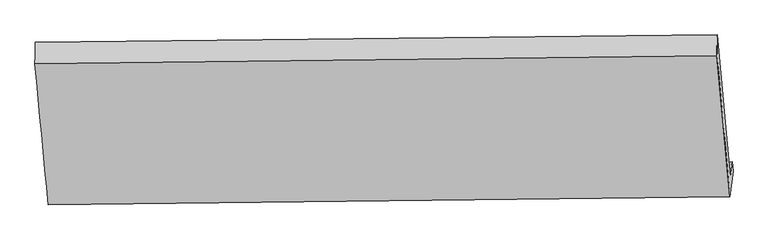
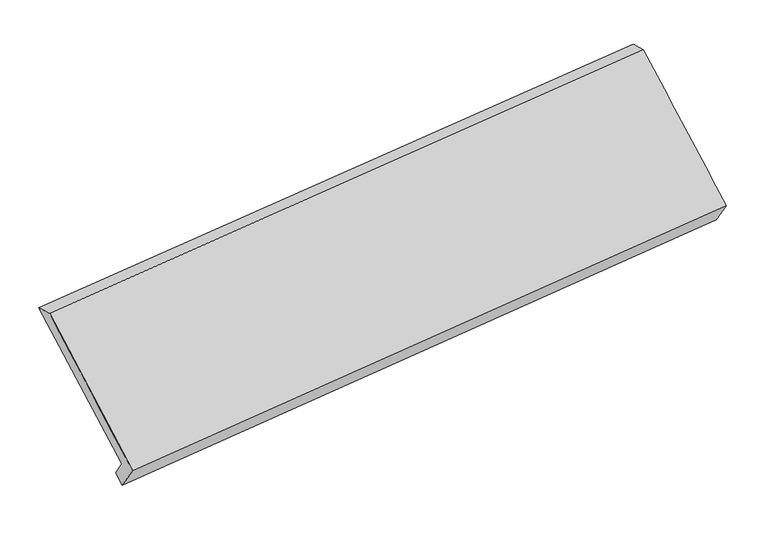
"""IFC4 building model written with IfcOpenShell, lengths in millimetres: proxy geometry."""

from ifc_helpers import new_model, si_unit, frame, origin, place, context, project, spatial, source, transform, mapped, element, save
from ifc_brep_helpers import plane_surface, spline_surface, advanced_brep


def generic_models_b34ae50f(model_context):
    return source(origin(), model_context, "Body", "AdvancedBrep", [
        advanced_brep(
        [(-5320.9591353, -1733.2699128, 1284.7710385), (-5335.1375744, -1849.5778942, 1436.3002828), (-332.8486439, -1802.0107473, 1982.2031695), (-319.2875149, -1690.7666596, 1837.2713055), (-5313.2515591, -1816.1853751, 1221.8495299), (-312.8560609, -1760.5482964, 1784.3114075), (-5336.5132897, -2007.0050338, 1470.4546413), (-335.6178498, -1947.2668541, 2027.5734916), (-5434.5768711, -974.50386, 2273.991624), (-430.9842928, -912.535597, 2812.8698022), (-5431.4263518, -813.736228, 2222.3625985), (-428.7720184, -761.2367519, 2772.0855405)],
        [
            (0, 1),
            (1, 2),
            (2, 3),
            (3, 0),
            (4, 0),
            (3, 5),
            (5, 4),
            (6, 4),
            (5, 7),
            (7, 6),
            (8, 6),
            (7, 9),
            (9, 8),
            (10, 8),
            (9, 11),
            (11, 10),
            (1, 10),
            (11, 2),
        ],
        [
            plane_surface(frame((-5328.0483548, -1791.4239035, 1360.5356607), z_axis=(-0.07335027169875452, 0.7944299054635073, 0.6029103274509083), x_axis=(-0.07402125148653833, -0.6072080458411853, 0.7910873803784861))),
            spline_surface(1, 1, [[(-5313.2515591, -1816.1853751, 1221.8495299), (-312.8560609, -1760.5482964, 1784.3114075)], [(-5320.9591353, -1733.2699128, 1284.7710385), (-319.2875149, -1690.7666596, 1837.2713055)]], [2, 2], [2, 2], [0.0, 1.0], [0.0, 1.0]),
            plane_surface(frame((-5324.8824244, -1911.5952045, 1346.1520856), z_axis=(0.07661760620750853, -0.7943815956991751, -0.6025675255383944), x_axis=(0.0740212514865382, 0.6072080458411845, -0.7910873803784869))),
            spline_surface(1, 1, [[(-5434.5768711, -974.50386, 2273.991624), (-430.9842928, -912.535597, 2812.8698022)], [(-5336.5132897, -2007.0050338, 1470.4546413), (-335.6178498, -1947.2668541, 2027.5734916)]], [2, 2], [2, 2], [0.0, 1.0], [0.0, 1.0]),
            spline_surface(1, 1, [[(-5431.4263518, -813.736228, 2222.3625985), (-428.7720184, -761.2367519, 2772.0855405)], [(-5434.5768711, -974.50386, 2273.991624), (-430.9842928, -912.535597, 2812.8698022)]], [2, 2], [2, 2], [0.0, 1.0], [0.0, 1.0]),
            spline_surface(1, 1, [[(-5335.1375744, -1849.5778942, 1436.3002828), (-332.8486439, -1802.0107473, 1982.2031695)], [(-5431.4263518, -813.736228, 2222.3625985), (-428.7720184, -761.2367519, 2772.0855405)]], [2, 2], [2, 2], [0.0, 1.0], [0.0, 1.0]),
            plane_surface(frame((-360.0610635, -1479.0608177, 2202.7191194), z_axis=(0.994565137822925, 0.013293544259245962, 0.1032640707520959), x_axis=(0.07321912971097884, -0.7944316652467668, -0.602923949016471))),
            plane_surface(frame((-5361.9774636, -1532.3797173, 1651.6216192), z_axis=(-0.9945186986857731, -0.013795256878786084, -0.10364482067139152), x_axis=(0.07402125148653825, 0.6072080458411839, -0.7910873803784874))),
        ],
        [
            (0, [[1, 2, 3, 4]]),
            (1, [[5, -4, 6, 7]]),
            (2, [[8, -7, 9, 10]]),
            (3, [[11, -10, 12, 13]]),
            (4, [[14, -13, 15, 16]]),
            (5, [[17, -16, 18, -2]]),
            (6, [[-12, -9, -6, -3, -18, -15]]),
            (7, [[-1, -5, -8, -11, -14, -17]]),
        ],
    ),
    ])


if __name__ == "__main__":
    model = new_model("IFC4")
    model_context = context("Model", 3, world=origin())
    ifc_project = project(units=[si_unit("LENGTHUNIT", "METRE", prefix="MILLI")], contexts=[model_context])
    site = spatial("IfcSite", under=ifc_project)
    building = spatial("IfcBuilding", under=site)
    placement = place(None, origin())
    generic_models_shape = generic_models_b34ae50f(model_context)
    element("IfcBuildingElementProxy", 1, Name="Generic Models", at=placement, inside=building, context=model_context, shape_type="MappedRepresentation", body=[
        mapped(generic_models_shape, transform((0.0, 0.0, 0.0), x_axis=(1.0, 0.0, 0.0), y_axis=(0.0, 1.0, 0.0), z_axis=(0.0, 0.0, 1.0))),
    ])
    save(model, "model.ifc")
